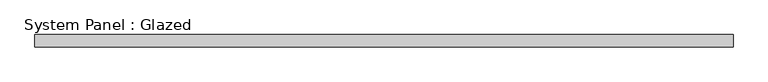
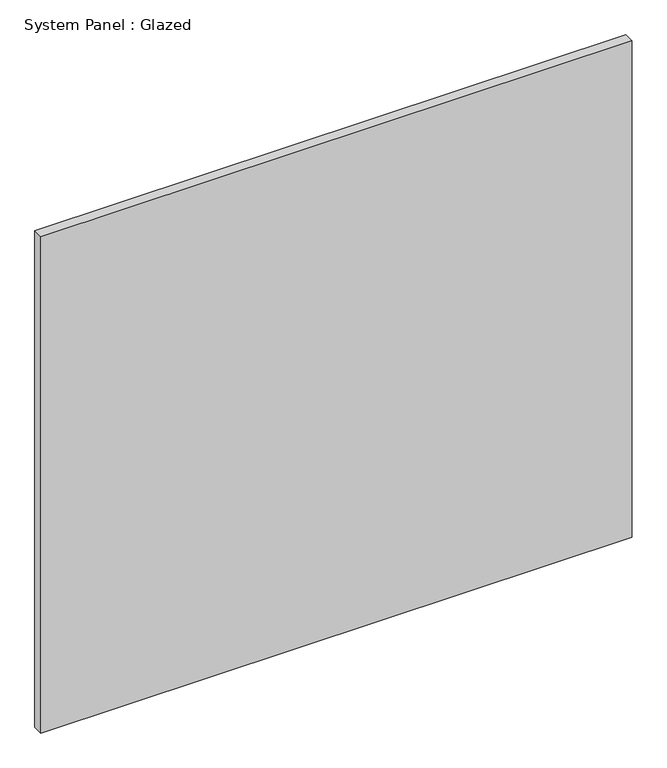
"""IFC4 building model written with IfcOpenShell, lengths in millimetres: plate geometry, System Panel : Glazed."""

import ifcopenshell
import ifcopenshell.guid

model = None  # the IFC model being written
_history = None  # IfcOwnerHistory: only IFC2X3 demands one
_inside = {}  # id of a spatial element -> (the spatial element, [elements in it])
_under = {}  # id of a project, library or spatial element -> (it, [spatial elements below it])
_declared = {}  # id of a project -> (the project, [libraries it declares])
_typed = {}  # id of a type object -> (the type object, [elements of that type])
_made_of = {}  # id of a material, layer set ... -> (it, [elements and type objects made of it])


def new_model(schema):
    """Start an empty IFC model of exactly this schema.

    Asked for "IFC4X3", IfcOpenShell would pick the latest addendum, in which some entities
    have other attributes; the version numbers below select the first issue.
    IFC2X3 requires an IfcOwnerHistory on every rooted entity: one is made here for all.
    """
    global model, _history
    if schema == "IFC4X3":
        model = ifcopenshell.file(schema_version=(4, 3, 0, 0))
    else:
        model = ifcopenshell.file(schema=schema)
    _inside.clear()
    _under.clear()
    _declared.clear()
    _typed.clear()
    _made_of.clear()
    _history = None
    if model.schema == "IFC2X3":
        org = make("IfcOrganization", Name="unknown")
        user = make(
            "IfcPersonAndOrganization",
            ThePerson=make("IfcPerson", FamilyName="unknown"),
            TheOrganization=org,
        )
        app = make(
            "IfcApplication",
            ApplicationDeveloper=org,
            Version="unknown",
            ApplicationFullName="unknown",
            ApplicationIdentifier="unknown",
        )
        _history = make(
            "IfcOwnerHistory",
            OwningUser=user,
            OwningApplication=app,
            ChangeAction="ADDED",
            CreationDate=0,
        )
    return model


def make(cls, **values):
    """One entity of the class cls with the attributes given. An attribute that is None is left unset."""
    return model.create_entity(
        cls, **{name: value for name, value in values.items() if value is not None}
    )


def rooted(cls, **values):
    """An entity with a GlobalId (a new one), such as an element, a storey or a relation."""
    return make(cls, GlobalId=ifcopenshell.guid.new(), OwnerHistory=_history, **values)


def si_unit(unit_type, name, prefix=None):
    """IfcSIUnit, for example si_unit("LENGTHUNIT", "METRE", prefix="MILLI")."""
    return make("IfcSIUnit", UnitType=unit_type, Prefix=prefix, Name=name)


def assignment(units):
    """IfcUnitAssignment: the units of a project."""
    return None if units is None else make("IfcUnitAssignment", Units=units)


def point(xyz):
    """IfcCartesianPoint."""
    return None if xyz is None else make("IfcCartesianPoint", Coordinates=xyz)


def direction(xyz):
    """IfcDirection."""
    return None if xyz is None else make("IfcDirection", DirectionRatios=xyz)


def frame(location, z_axis=None, x_axis=None):
    """IfcAxis2Placement3D, a coordinate frame: its origin and axes. An axis left out is left unset."""
    return make(
        "IfcAxis2Placement3D",
        Location=point(location),
        Axis=direction(z_axis),
        RefDirection=direction(x_axis),
    )


def origin():
    """The frame at (0, 0, 0) with its axes left unset."""
    return frame((0.0, 0.0, 0.0))


def origin_with_axes():
    """The frame at (0, 0, 0) with the z axis (0, 0, 1) and the x axis (1, 0, 0) written out."""
    return frame((0.0, 0.0, 0.0), z_axis=(0.0, 0.0, 1.0), x_axis=(1.0, 0.0, 0.0))


def place(relative_to, where):
    """IfcLocalPlacement: puts the frame where relative to a parent placement (None: the world)."""
    return make(
        "IfcLocalPlacement", PlacementRelTo=relative_to, RelativePlacement=where
    )


def context(
    kind, dimensions, precision=None, world=None, true_north=None, identifier=None
):
    """IfcGeometricRepresentationContext, for example the 3D "Model" context."""
    return make(
        "IfcGeometricRepresentationContext",
        ContextIdentifier=identifier,
        ContextType=kind,
        CoordinateSpaceDimension=dimensions,
        Precision=precision,
        WorldCoordinateSystem=world,
        TrueNorth=true_north,
    )


def project(units=None, contexts=None):
    """IfcProject with its units and contexts."""
    return rooted(
        "IfcProject",
        Name="project",
        RepresentationContexts=contexts,
        UnitsInContext=assignment(units),
    )


def spatial(cls, under=None, at=None, **own):
    """A site, building, storey or space (cls), placed at a placement, below another one or the project."""
    s = rooted(cls, ObjectPlacement=at, **own)
    if under is not None:
        _under.setdefault(under.id(), (under, []))[1].append(s)
    return s


def polyline(points):
    """IfcPolyline through the points."""
    return make("IfcPolyline", Points=[point(p) for p in points])


def outline(outer, holes=None, kind="AREA"):
    """IfcArbitraryClosedProfileDef: a profile drawn as a closed curve; with holes, ...WithVoids."""
    if holes is None:
        return make("IfcArbitraryClosedProfileDef", ProfileType=kind, OuterCurve=outer)
    return make(
        "IfcArbitraryProfileDefWithVoids",
        ProfileType=kind,
        OuterCurve=outer,
        InnerCurves=holes,
    )


def extrude(swept, where, along, depth):
    """IfcExtrudedAreaSolid: the profile swept, set in the frame where, extruded along a direction by depth."""
    return make(
        "IfcExtrudedAreaSolid",
        SweptArea=swept,
        Position=where,
        ExtrudedDirection=direction(along),
        Depth=depth,
    )


def shape(context_of_items, identifier, shape_type, items):
    """IfcShapeRepresentation: the items that make up one representation, for example the "Body"."""
    return make(
        "IfcShapeRepresentation",
        ContextOfItems=context_of_items,
        RepresentationIdentifier=identifier,
        RepresentationType=shape_type,
        Items=items,
    )


def source(mapping_origin, context_of_items, identifier, shape_type, items):
    """IfcRepresentationMap: a shape defined once, which mapped items show again and again."""
    return make(
        "IfcRepresentationMap",
        MappingOrigin=mapping_origin,
        MappedRepresentation=shape(context_of_items, identifier, shape_type, items),
    )


def transform(
    local_origin,
    x_axis=None,
    y_axis=None,
    z_axis=None,
    scale=None,
    scale2=None,
    scale3=None,
    uniform=True,
):
    """IfcCartesianTransformationOperator3D, or its non-uniform kind. x_axis, y_axis, z_axis: its Axis1, 2, 3."""
    if uniform:
        return make(
            "IfcCartesianTransformationOperator3D",
            Axis1=direction(x_axis),
            Axis2=direction(y_axis),
            LocalOrigin=point(local_origin),
            Scale=scale,
            Axis3=direction(z_axis),
        )
    return make(
        "IfcCartesianTransformationOperator3DnonUniform",
        Axis1=direction(x_axis),
        Axis2=direction(y_axis),
        LocalOrigin=point(local_origin),
        Scale=scale,
        Axis3=direction(z_axis),
        Scale2=scale2,
        Scale3=scale3,
    )


def mapped(mapping_source, mapping_target):
    """IfcMappedItem: shows the shape of a source again, moved by a transform."""
    return make(
        "IfcMappedItem", MappingSource=mapping_source, MappingTarget=mapping_target
    )


def made_of(thing, what):
    """Note that an element or type object is made of a material, layer set ...; save() writes the relation."""
    if what is not None:
        _made_of.setdefault(what.id(), (what, []))[1].append(thing)
    return thing


def element(
    cls,
    number,
    at=None,
    inside=None,
    cuts=None,
    type_object=None,
    material=None,
    context=None,
    identifier="Body",
    shape_type=None,
    held_by="IfcProductDefinitionShape",
    body=None,
    shapes=None,
    **own,
):
    """One element of the class cls, such as IfcWall. Its Tag is "e" and its number.

    at: its placement. inside: the storey or other place that contains it. cuts: it is an
    opening in that element (IfcRelVoidsElement). A single representation is given by context,
    identifier, shape_type and body (its items); several are given by shapes. held_by: the class
    of the entity that holds the representations. save() writes the other relations.
    """
    e = rooted(cls, Tag="e%d" % number, ObjectPlacement=at, **own)
    if body is not None:
        shapes = [shape(context, identifier, shape_type, body)]
    if shapes is not None:
        e.Representation = make(held_by, Representations=shapes)
    if inside is not None:
        _inside.setdefault(inside.id(), (inside, []))[1].append(e)
    if cuts is not None:
        rooted(
            "IfcRelVoidsElement", RelatingBuildingElement=cuts, RelatedOpeningElement=e
        )
    if type_object is not None:
        _typed.setdefault(type_object.id(), (type_object, []))[1].append(e)
    return made_of(e, material)


def aggregate(whole, parts):
    """IfcRelAggregates: a whole, such as a stair, and the parts it consists of."""
    return rooted("IfcRelAggregates", RelatingObject=whole, RelatedObjects=parts)


def save(model, path):
    """Write the relations noted so far, then the file.

    IfcRelAggregates (storeys below a building ...), IfcRelContainedInSpatialStructure (elements
    in a storey), IfcRelDefinesByType, IfcRelAssociatesMaterial and IfcRelDeclares: one each for
    every whole, place, type object, material and project.
    """
    for whole, parts in _under.values():
        aggregate(whole, parts)
    for where, things in _inside.values():
        rooted(
            "IfcRelContainedInSpatialStructure",
            RelatedElements=things,
            RelatingStructure=where,
        )
    for kind, things in _typed.values():
        rooted("IfcRelDefinesByType", RelatedObjects=things, RelatingType=kind)
    for what, things in _made_of.values():
        rooted("IfcRelAssociatesMaterial", RelatedObjects=things, RelatingMaterial=what)
    for by, libraries in _declared.values():
        rooted("IfcRelDeclares", RelatingContext=by, RelatedDefinitions=libraries)
    model.write(path)


def system_panel_glazed_922992c5(model_context):
    return source(origin(), model_context, "Body", "SweptSolid", [
        extrude(outline(polyline([(718.3333333, 24.5), (-718.3333333, 24.5), (-718.3333333, 49.5), (718.3333333, 49.5), (718.3333333, 24.5)])), origin_with_axes(), (0.0, 0.0, 1.0), 1275.0),
    ])


if __name__ == "__main__":
    model = new_model("IFC4")
    model_context = context("Model", 3, world=origin())
    ifc_project = project(units=[si_unit("LENGTHUNIT", "METRE", prefix="MILLI")], contexts=[model_context])
    site = spatial("IfcSite", under=ifc_project)
    building = spatial("IfcBuilding", under=site)
    placement = place(None, origin())
    system_panel_glazed_shape = system_panel_glazed_922992c5(model_context)
    element("IfcPlate", 1, ObjectType="System Panel : Glazed", at=placement, inside=building, context=model_context, shape_type="MappedRepresentation", body=[
        mapped(system_panel_glazed_shape, transform((0.0, 0.0, 0.0), x_axis=(1.0, 0.0, 0.0), y_axis=(0.0, 1.0, 0.0), z_axis=(0.0, 0.0, 1.0))),
    ])
    save(model, "model.ifc")
